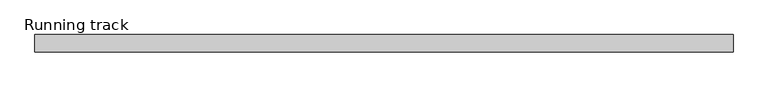
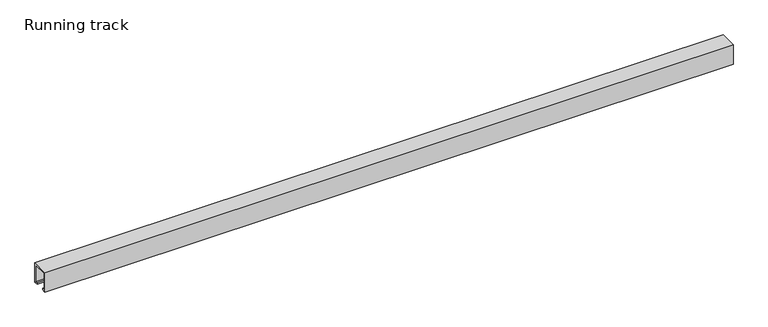
"""IFC4 building model written with IfcOpenShell, lengths in millimetres: proxy geometry, Running track."""

from ifc_helpers import new_model, si_unit, point, frame, frame_2d, origin, origin_with_axes, place, context, project, spatial, polyline, circle_curve, trimmed, segment, composite_curve, outline, extrude, faceted_brep, source, transform, mapped, element, save


def running_track_81c8d79c(model_context):
    return source(origin(), model_context, "Body", "SolidModel", [
        extrude(outline(polyline([(36.5, 1257.1109747), (36.5, 1233.4983788), (33.2695661, 1233.4983788), (33.2695661, 1235.332539), (24.3170527, 1310.6793739), (32.9021554, 1310.6793739), (36.5, 1257.1109747)])), frame((0.0, -12.531559, 0.0), z_axis=(0.0, 1.0, 0.0), x_axis=(0.0, 0.0, 1.0)), (0.0, 0.0, 1.0), 25.031559),
        extrude(outline(composite_curve([segment(trimmed(circle_curve(frame_2d((0.0, 18.67839)), 6.3335878), [point((6.3335878, 18.67839))], [point((-6.3335878, 18.67839))], False, "CARTESIAN"), True, "CONTINUOUS"), segment(trimmed(circle_curve(frame_2d((0.0, 18.67839)), 6.3335878), [point((-6.3335878, 18.67839))], [point((6.3335878, 18.67839))], False, "CARTESIAN"), True, "CONTINUOUS")], self_intersect=False)), frame((1268.0, 0.0, 0.0), z_axis=(1.0, 0.0, 0.0), x_axis=(0.0, 1.0, 0.0)), (0.0, 0.0, 1.0), 4.0),
        faceted_brep([(1314.5, 14.5, 36.5), (1314.5, 14.5, 3.0), (1272.0, 14.5, 3.0), (1272.0, 14.5, 36.5), (1314.5, -14.5, 36.5), (1272.0, -14.5, 36.5), (1272.0, -14.5, 3.0), (1314.5, -14.5, 3.0), (1272.0, 12.5, 36.5), (1311.9235205, 12.5, 36.5), (1311.9235205, -12.531559, 36.5), (1272.0, -12.531559, 36.5), (1272.0, -12.531559, 25.3706125), (1272.0, 12.5, 25.3706125), (1311.9235205, 12.5, 25.3706125), (1311.9235205, -12.531559, 25.3706125)], [[[0, 1, 2, 3]], [[4, 5, 6, 7]], [[3, 8, 9, 10, 11, 5, 4, 0]], [[2, 6, 5, 11, 12, 13, 8, 3]], [[1, 7, 6, 2]], [[0, 4, 7, 1]], [[14, 9, 8, 13]], [[15, 12, 11, 10]], [[15, 10, 9, 14]], [[14, 13, 12, 15]]]),
        extrude(outline(polyline([(1314.5, 12.5), (1314.5, -12.531559), (1270.0024224, -12.531559), (1270.0024224, 12.5), (1314.5, 12.5)])), origin_with_axes(), (0.0, 0.0, 1.0), 3.0),
        extrude(outline(polyline([(-17.0, 40.0), (17.0, 40.0), (17.0, 0.0), (9.0, 0.0), (9.0, 3.0), (14.0, 3.0), (14.0, 37.0), (-14.0, 37.0), (-14.0, 3.0), (-9.0, 3.0), (-9.0, 0.0), (-17.0, 0.0), (-17.0, 40.0)])), frame((0.0, 0.0, 0.0), z_axis=(1.0, 0.0, 0.0), x_axis=(0.0, 1.0, 0.0)), (0.0, 0.0, 1.0), 1350.0),
    ])


if __name__ == "__main__":
    model = new_model("IFC4")
    model_context = context("Model", 3, world=origin())
    ifc_project = project(units=[si_unit("LENGTHUNIT", "METRE", prefix="MILLI")], contexts=[model_context])
    site = spatial("IfcSite", under=ifc_project)
    building = spatial("IfcBuilding", under=site)
    placement = place(None, origin())
    running_track_shape = running_track_81c8d79c(model_context)
    element("IfcBuildingElementProxy", 1, Name="Running track", ObjectType="Running track", at=placement, inside=building, context=model_context, shape_type="MappedRepresentation", body=[
        mapped(running_track_shape, transform((0.0, 0.0, 0.0), x_axis=(1.0, 0.0, 0.0), y_axis=(0.0, 1.0, 0.0), z_axis=(0.0, 0.0, 1.0))),
    ])
    save(model, "model.ifc")
